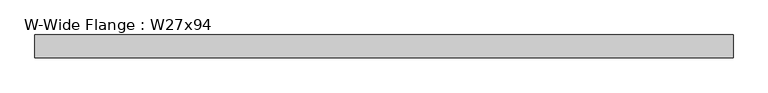
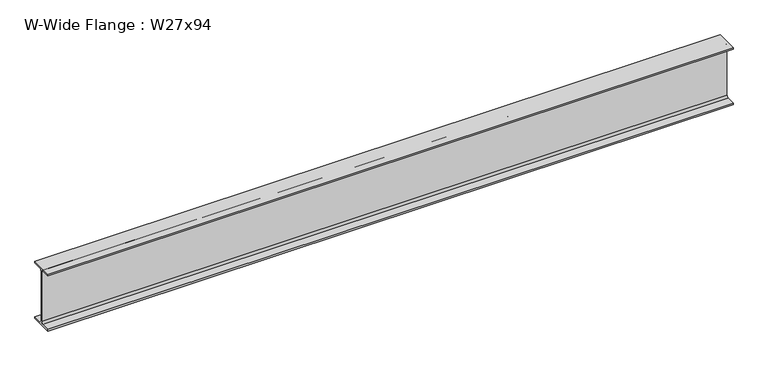
"""IFC4 building model written with IfcOpenShell, lengths in millimetres: beam geometry, W-Wide Flange : W27x94."""

from ifc_helpers import new_model, si_unit, point, frame, frame_2d, origin, place, context, project, spatial, polyline, circle_curve, trimmed, segment, composite_curve, outline, extrude, source, transform, mapped, element, save


def w_wide_flange_w27x94_4443d363(model_context):
    return source(origin(), model_context, "Body", "SweptSolid", [
        extrude(outline(composite_curve([segment(polyline([(127.0, -322.707), (127.0, -341.63), (-127.0, -341.63), (-127.0, -322.707), (-28.575, -322.707)]), True, "CONTINUOUS"), segment(trimmed(circle_curve(frame_2d((-28.575, -300.355)), 22.352), [point((-28.575, -322.707))], [point((-6.223, -300.355))], True, "CARTESIAN"), True, "CONTINUOUS"), segment(polyline([(-6.223, -300.355), (-6.223, 300.355)]), True, "CONTINUOUS"), segment(trimmed(circle_curve(frame_2d((-28.575, 300.355)), 22.352), [point((-6.223, 300.355))], [point((-28.575, 322.707))], True, "CARTESIAN"), True, "CONTINUOUS"), segment(polyline([(-28.575, 322.707), (-127.0, 322.707), (-127.0, 341.63), (127.0, 341.63), (127.0, 322.707), (28.575, 322.707)]), True, "CONTINUOUS"), segment(trimmed(circle_curve(frame_2d((28.575, 300.355)), 22.352), [point((28.575, 322.707))], [point((6.223, 300.355))], True, "CARTESIAN"), True, "CONTINUOUS"), segment(polyline([(6.223, 300.355), (6.223, -300.355)]), True, "CONTINUOUS"), segment(trimmed(circle_curve(frame_2d((28.575, -300.355)), 22.352), [point((6.223, -300.355))], [point((28.575, -322.707))], True, "CARTESIAN"), True, "CONTINUOUS"), segment(polyline([(28.575, -322.707), (127.0, -322.707)]), True, "CONTINUOUS")], self_intersect=False)), frame((-3895.09, 0.0, 0.0), z_axis=(1.0, 0.0, 0.0), x_axis=(0.0, 1.0, 0.0)), (0.0, 0.0, 1.0), 7790.18),
    ])


if __name__ == "__main__":
    model = new_model("IFC4")
    model_context = context("Model", 3, world=origin())
    ifc_project = project(units=[si_unit("LENGTHUNIT", "METRE", prefix="MILLI")], contexts=[model_context])
    site = spatial("IfcSite", under=ifc_project)
    building = spatial("IfcBuilding", under=site)
    placement = place(None, origin())
    w_wide_flange_w27x94_shape = w_wide_flange_w27x94_4443d363(model_context)
    element("IfcBeam", 1, ObjectType="W-Wide Flange : W27x94", at=placement, inside=building, context=model_context, shape_type="MappedRepresentation", body=[
        mapped(w_wide_flange_w27x94_shape, transform((0.0, 0.0, 0.0), x_axis=(1.0, 0.0, 0.0), y_axis=(0.0, 1.0, 0.0), z_axis=(0.0, 0.0, 1.0))),
    ])
    save(model, "model.ifc")
